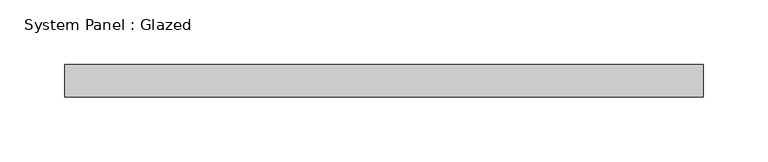
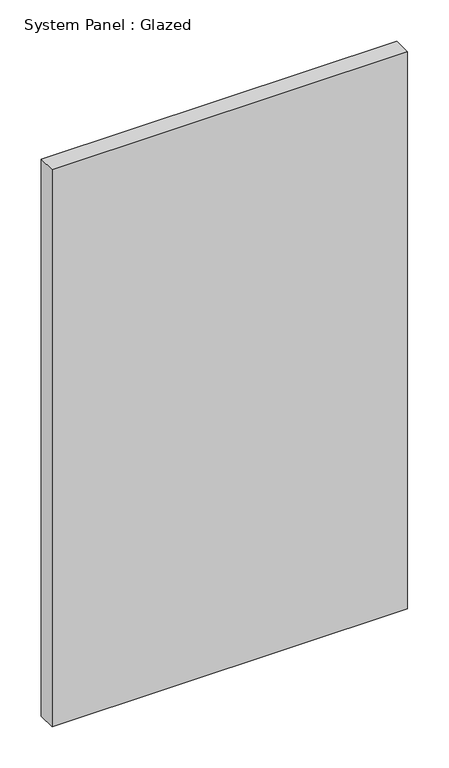
"""IFC4 building model written with IfcOpenShell, lengths in millimetres: plate geometry, System Panel : Glazed."""

from ifc_helpers import new_model, si_unit, origin, origin_with_axes, place, context, project, spatial, polyline, outline, extrude, source, transform, mapped, element, save


def system_panel_glazed_dada679d(model_context):
    return source(origin(), model_context, "Body", "SweptSolid", [
        extrude(outline(polyline([(247.5163511, 19.05), (-247.5163511, 19.05), (-247.5163511, 44.45), (247.5163511, 44.45), (247.5163511, 19.05)])), origin_with_axes(), (0.0, 0.0, 1.0), 819.15),
    ])


if __name__ == "__main__":
    model = new_model("IFC4")
    model_context = context("Model", 3, world=origin())
    ifc_project = project(units=[si_unit("LENGTHUNIT", "METRE", prefix="MILLI")], contexts=[model_context])
    site = spatial("IfcSite", under=ifc_project)
    building = spatial("IfcBuilding", under=site)
    placement = place(None, origin())
    system_panel_glazed_shape = system_panel_glazed_dada679d(model_context)
    element("IfcPlate", 1, ObjectType="System Panel : Glazed", at=placement, inside=building, context=model_context, shape_type="MappedRepresentation", body=[
        mapped(system_panel_glazed_shape, transform((0.0, 0.0, 0.0), x_axis=(1.0, 0.0, 0.0), y_axis=(0.0, 1.0, 0.0), z_axis=(0.0, 0.0, 1.0))),
    ])
    save(model, "model.ifc")
